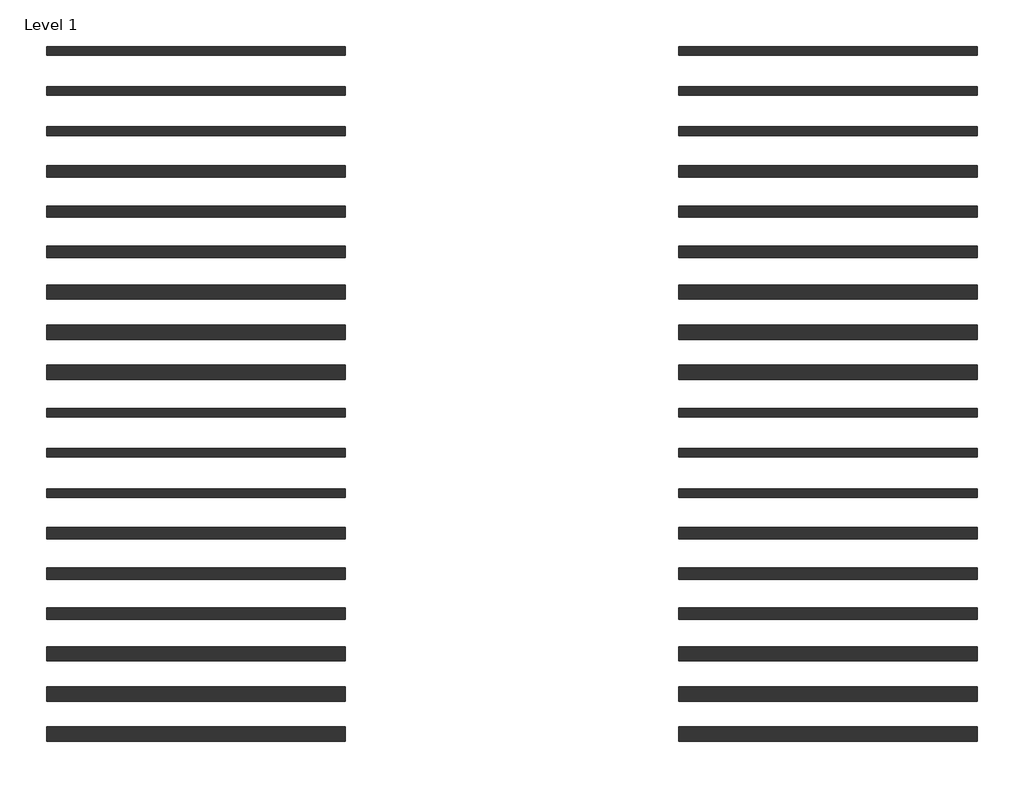
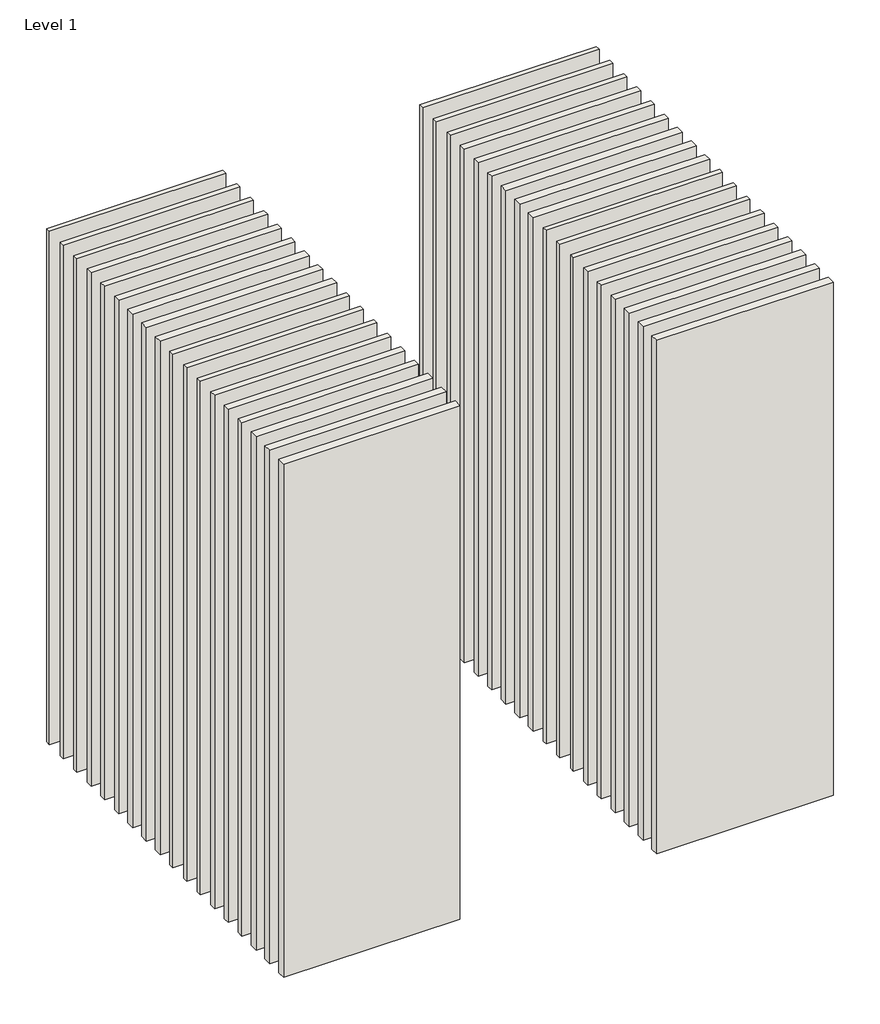
# One storey: 36 walls.
"""IFC4 building model written with IfcOpenShell, lengths in millimetres."""

from ifc_helpers import new_model, si_unit, origin, origin_with_axes, place, context, project, spatial, polyline, outline, extrude, element, save

model = new_model("IFC4")

# Units and contexts
model_context = context("Model", 3, world=origin())
ifc_project = project(units=[si_unit("LENGTHUNIT", "METRE", prefix="MILLI")], contexts=[model_context])

# Site, building, storey
site = spatial("IfcSite", under=ifc_project)
building = spatial("IfcBuilding", under=site)
storey = spatial("IfcBuildingStorey", under=building, Name="Level 1", Elevation=0.0)

# Walls
placement = place(None, origin())
element("IfcWall", 1, at=placement, inside=storey, context=model_context, shape_type="SweptSolid", body=[
    extrude(outline(polyline([(-16904.1464237, 3700.0198817), (-19504.1464237, 3700.0198817), (-19504.1464237, 3775.0198817), (-16904.1464237, 3775.0198817), (-16904.1464237, 3700.0198817)])), origin_with_axes(), (0.0, 0.0, 1.0), 8000.0),
])
element("IfcWall", 2, at=placement, inside=storey, context=model_context, shape_type="SweptSolid", body=[
    extrude(outline(polyline([(-16904.1464237, 3350.0198817), (-19504.1464237, 3350.0198817), (-19504.1464237, 3425.0198817), (-16904.1464237, 3425.0198817), (-16904.1464237, 3350.0198817)])), origin_with_axes(), (0.0, 0.0, 1.0), 8000.0),
])
element("IfcWall", 3, at=placement, inside=storey, context=model_context, shape_type="SweptSolid", body=[
    extrude(outline(polyline([(-16904.1464237, 3000.0198817), (-19504.1464237, 3000.0198817), (-19504.1464237, 3075.0198817), (-16904.1464237, 3075.0198817), (-16904.1464237, 3000.0198817)])), origin_with_axes(), (0.0, 0.0, 1.0), 8000.0),
])
element("IfcWall", 4, at=placement, inside=storey, context=model_context, shape_type="SweptSolid", body=[
    extrude(outline(polyline([(-16904.1464237, 2637.5198817), (-19504.1464237, 2637.5198817), (-19504.1464237, 2737.5198817), (-16904.1464237, 2737.5198817), (-16904.1464237, 2637.5198817)])), origin_with_axes(), (0.0, 0.0, 1.0), 8000.0),
])
element("IfcWall", 5, at=placement, inside=storey, context=model_context, shape_type="SweptSolid", body=[
    extrude(outline(polyline([(-16904.1464237, 2287.5198817), (-19504.1464237, 2287.5198817), (-19504.1464237, 2387.5198817), (-16904.1464237, 2387.5198817), (-16904.1464237, 2287.5198817)])), origin_with_axes(), (0.0, 0.0, 1.0), 8000.0),
])
element("IfcWall", 6, at=placement, inside=storey, context=model_context, shape_type="SweptSolid", body=[
    extrude(outline(polyline([(-16904.1464237, 1937.5198817), (-19504.1464237, 1937.5198817), (-19504.1464237, 2037.5198817), (-16904.1464237, 2037.5198817), (-16904.1464237, 1937.5198817)])), origin_with_axes(), (0.0, 0.0, 1.0), 8000.0),
])
element("IfcWall", 7, at=placement, inside=storey, context=model_context, shape_type="SweptSolid", body=[
    extrude(outline(polyline([(-16904.1464237, 1575.0198817), (-19504.1464237, 1575.0198817), (-19504.1464237, 1700.0198817), (-16904.1464237, 1700.0198817), (-16904.1464237, 1575.0198817)])), origin_with_axes(), (0.0, 0.0, 1.0), 8000.0),
])
element("IfcWall", 8, at=placement, inside=storey, context=model_context, shape_type="SweptSolid", body=[
    extrude(outline(polyline([(-16904.1464237, 1225.0198817), (-19504.1464237, 1225.0198817), (-19504.1464237, 1350.0198817), (-16904.1464237, 1350.0198817), (-16904.1464237, 1225.0198817)])), origin_with_axes(), (0.0, 0.0, 1.0), 8000.0),
])
element("IfcWall", 9, at=placement, inside=storey, context=model_context, shape_type="SweptSolid", body=[
    extrude(outline(polyline([(-16904.1464237, 875.0198817), (-19504.1464237, 875.0198817), (-19504.1464237, 1000.0198817), (-16904.1464237, 1000.0198817), (-16904.1464237, 875.0198817)])), origin_with_axes(), (0.0, 0.0, 1.0), 8000.0),
])
element("IfcWall", 10, at=placement, inside=storey, context=model_context, shape_type="SweptSolid", body=[
    extrude(outline(polyline([(-16904.1464237, 550.0198817), (-19504.1464237, 550.0198817), (-19504.1464237, 625.0198817), (-16904.1464237, 625.0198817), (-16904.1464237, 550.0198817)])), origin_with_axes(), (0.0, 0.0, 1.0), 8000.0),
])
element("IfcWall", 11, at=placement, inside=storey, context=model_context, shape_type="SweptSolid", body=[
    extrude(outline(polyline([(-16904.1464237, 200.0198817), (-19504.1464237, 200.0198817), (-19504.1464237, 275.0198817), (-16904.1464237, 275.0198817), (-16904.1464237, 200.0198817)])), origin_with_axes(), (0.0, 0.0, 1.0), 8000.0),
])
element("IfcWall", 12, at=placement, inside=storey, context=model_context, shape_type="SweptSolid", body=[
    extrude(outline(polyline([(-16904.1464237, -149.9801183), (-19504.1464237, -149.9801183), (-19504.1464237, -74.9801183), (-16904.1464237, -74.9801183), (-16904.1464237, -149.9801183)])), origin_with_axes(), (0.0, 0.0, 1.0), 8000.0),
])
element("IfcWall", 13, at=placement, inside=storey, context=model_context, shape_type="SweptSolid", body=[
    extrude(outline(polyline([(-16904.1464237, -512.4801183), (-19504.1464237, -512.4801183), (-19504.1464237, -412.4801183), (-16904.1464237, -412.4801183), (-16904.1464237, -512.4801183)])), origin_with_axes(), (0.0, 0.0, 1.0), 8000.0),
])
element("IfcWall", 14, at=placement, inside=storey, context=model_context, shape_type="SweptSolid", body=[
    extrude(outline(polyline([(-16904.1464237, -862.4801183), (-19504.1464237, -862.4801183), (-19504.1464237, -762.4801183), (-16904.1464237, -762.4801183), (-16904.1464237, -862.4801183)])), origin_with_axes(), (0.0, 0.0, 1.0), 8000.0),
])
element("IfcWall", 15, at=placement, inside=storey, context=model_context, shape_type="SweptSolid", body=[
    extrude(outline(polyline([(-16904.1464237, -1212.4801183), (-19504.1464237, -1212.4801183), (-19504.1464237, -1112.4801183), (-16904.1464237, -1112.4801183), (-16904.1464237, -1212.4801183)])), origin_with_axes(), (0.0, 0.0, 1.0), 8000.0),
])
element("IfcWall", 16, at=placement, inside=storey, context=model_context, shape_type="SweptSolid", body=[
    extrude(outline(polyline([(-16904.1464237, -1574.9801183), (-19504.1464237, -1574.9801183), (-19504.1464237, -1449.9801183), (-16904.1464237, -1449.9801183), (-16904.1464237, -1574.9801183)])), origin_with_axes(), (0.0, 0.0, 1.0), 8000.0),
])
element("IfcWall", 17, at=placement, inside=storey, context=model_context, shape_type="SweptSolid", body=[
    extrude(outline(polyline([(-16904.1464237, -1924.9801183), (-19504.1464237, -1924.9801183), (-19504.1464237, -1799.9801183), (-16904.1464237, -1799.9801183), (-16904.1464237, -1924.9801183)])), origin_with_axes(), (0.0, 0.0, 1.0), 8000.0),
])
element("IfcWall", 18, at=placement, inside=storey, context=model_context, shape_type="SweptSolid", body=[
    extrude(outline(polyline([(-16904.1464237, -2274.9801183), (-19504.1464237, -2274.9801183), (-19504.1464237, -2149.9801183), (-16904.1464237, -2149.9801183), (-16904.1464237, -2274.9801183)])), origin_with_axes(), (0.0, 0.0, 1.0), 8000.0),
])
element("IfcWall", 19, at=placement, inside=storey, context=model_context, shape_type="SweptSolid", body=[
    extrude(outline(polyline([(-11404.1464237, 3700.0198817), (-14004.1464237, 3700.0198817), (-14004.1464237, 3775.0198817), (-11404.1464237, 3775.0198817), (-11404.1464237, 3700.0198817)])), origin_with_axes(), (0.0, 0.0, 1.0), 8000.0),
])
element("IfcWall", 20, at=placement, inside=storey, context=model_context, shape_type="SweptSolid", body=[
    extrude(outline(polyline([(-11404.1464237, 3350.0198817), (-14004.1464237, 3350.0198817), (-14004.1464237, 3425.0198817), (-11404.1464237, 3425.0198817), (-11404.1464237, 3350.0198817)])), origin_with_axes(), (0.0, 0.0, 1.0), 8000.0),
])
element("IfcWall", 21, at=placement, inside=storey, context=model_context, shape_type="SweptSolid", body=[
    extrude(outline(polyline([(-11404.1464237, 3000.0198817), (-14004.1464237, 3000.0198817), (-14004.1464237, 3075.0198817), (-11404.1464237, 3075.0198817), (-11404.1464237, 3000.0198817)])), origin_with_axes(), (0.0, 0.0, 1.0), 8000.0),
])
element("IfcWall", 22, at=placement, inside=storey, context=model_context, shape_type="SweptSolid", body=[
    extrude(outline(polyline([(-11404.1464237, 2637.5198817), (-14004.1464237, 2637.5198817), (-14004.1464237, 2737.5198817), (-11404.1464237, 2737.5198817), (-11404.1464237, 2637.5198817)])), origin_with_axes(), (0.0, 0.0, 1.0), 8000.0),
])
element("IfcWall", 23, at=placement, inside=storey, context=model_context, shape_type="SweptSolid", body=[
    extrude(outline(polyline([(-11404.1464237, 2287.5198817), (-14004.1464237, 2287.5198817), (-14004.1464237, 2387.5198817), (-11404.1464237, 2387.5198817), (-11404.1464237, 2287.5198817)])), origin_with_axes(), (0.0, 0.0, 1.0), 8000.0),
])
element("IfcWall", 24, at=placement, inside=storey, context=model_context, shape_type="SweptSolid", body=[
    extrude(outline(polyline([(-11404.1464237, 1937.5198817), (-14004.1464237, 1937.5198817), (-14004.1464237, 2037.5198817), (-11404.1464237, 2037.5198817), (-11404.1464237, 1937.5198817)])), origin_with_axes(), (0.0, 0.0, 1.0), 8000.0),
])
element("IfcWall", 25, at=placement, inside=storey, context=model_context, shape_type="SweptSolid", body=[
    extrude(outline(polyline([(-11404.1464237, 1575.0198817), (-14004.1464237, 1575.0198817), (-14004.1464237, 1700.0198817), (-11404.1464237, 1700.0198817), (-11404.1464237, 1575.0198817)])), origin_with_axes(), (0.0, 0.0, 1.0), 8000.0),
])
element("IfcWall", 26, at=placement, inside=storey, context=model_context, shape_type="SweptSolid", body=[
    extrude(outline(polyline([(-11404.1464237, 1225.0198817), (-14004.1464237, 1225.0198817), (-14004.1464237, 1350.0198817), (-11404.1464237, 1350.0198817), (-11404.1464237, 1225.0198817)])), origin_with_axes(), (0.0, 0.0, 1.0), 8000.0),
])
element("IfcWall", 27, at=placement, inside=storey, context=model_context, shape_type="SweptSolid", body=[
    extrude(outline(polyline([(-11404.1464237, 875.0198817), (-14004.1464237, 875.0198817), (-14004.1464237, 1000.0198817), (-11404.1464237, 1000.0198817), (-11404.1464237, 875.0198817)])), origin_with_axes(), (0.0, 0.0, 1.0), 8000.0),
])
element("IfcWall", 28, at=placement, inside=storey, context=model_context, shape_type="SweptSolid", body=[
    extrude(outline(polyline([(-11404.1464237, 550.0198817), (-14004.1464237, 550.0198817), (-14004.1464237, 625.0198817), (-11404.1464237, 625.0198817), (-11404.1464237, 550.0198817)])), origin_with_axes(), (0.0, 0.0, 1.0), 8000.0),
])
element("IfcWall", 29, at=placement, inside=storey, context=model_context, shape_type="SweptSolid", body=[
    extrude(outline(polyline([(-11404.1464237, 200.0198817), (-14004.1464237, 200.0198817), (-14004.1464237, 275.0198817), (-11404.1464237, 275.0198817), (-11404.1464237, 200.0198817)])), origin_with_axes(), (0.0, 0.0, 1.0), 8000.0),
])
element("IfcWall", 30, at=placement, inside=storey, context=model_context, shape_type="SweptSolid", body=[
    extrude(outline(polyline([(-11404.1464237, -149.9801183), (-14004.1464237, -149.9801183), (-14004.1464237, -74.9801183), (-11404.1464237, -74.9801183), (-11404.1464237, -149.9801183)])), origin_with_axes(), (0.0, 0.0, 1.0), 8000.0),
])
element("IfcWall", 31, at=placement, inside=storey, context=model_context, shape_type="SweptSolid", body=[
    extrude(outline(polyline([(-11404.1464237, -512.4801183), (-14004.1464237, -512.4801183), (-14004.1464237, -412.4801183), (-11404.1464237, -412.4801183), (-11404.1464237, -512.4801183)])), origin_with_axes(), (0.0, 0.0, 1.0), 8000.0),
])
element("IfcWall", 32, at=placement, inside=storey, context=model_context, shape_type="SweptSolid", body=[
    extrude(outline(polyline([(-11404.1464237, -862.4801183), (-14004.1464237, -862.4801183), (-14004.1464237, -762.4801183), (-11404.1464237, -762.4801183), (-11404.1464237, -862.4801183)])), origin_with_axes(), (0.0, 0.0, 1.0), 8000.0),
])
element("IfcWall", 33, at=placement, inside=storey, context=model_context, shape_type="SweptSolid", body=[
    extrude(outline(polyline([(-11404.1464237, -1212.4801183), (-14004.1464237, -1212.4801183), (-14004.1464237, -1112.4801183), (-11404.1464237, -1112.4801183), (-11404.1464237, -1212.4801183)])), origin_with_axes(), (0.0, 0.0, 1.0), 8000.0),
])
element("IfcWall", 34, at=placement, inside=storey, context=model_context, shape_type="SweptSolid", body=[
    extrude(outline(polyline([(-11404.1464237, -1574.9801183), (-14004.1464237, -1574.9801183), (-14004.1464237, -1449.9801183), (-11404.1464237, -1449.9801183), (-11404.1464237, -1574.9801183)])), origin_with_axes(), (0.0, 0.0, 1.0), 8000.0),
])
element("IfcWall", 35, at=placement, inside=storey, context=model_context, shape_type="SweptSolid", body=[
    extrude(outline(polyline([(-11404.1464237, -1924.9801183), (-14004.1464237, -1924.9801183), (-14004.1464237, -1799.9801183), (-11404.1464237, -1799.9801183), (-11404.1464237, -1924.9801183)])), origin_with_axes(), (0.0, 0.0, 1.0), 8000.0),
])
element("IfcWall", 36, at=placement, inside=storey, context=model_context, shape_type="SweptSolid", body=[
    extrude(outline(polyline([(-11404.1464237, -2274.9801183), (-14004.1464237, -2274.9801183), (-14004.1464237, -2149.9801183), (-11404.1464237, -2149.9801183), (-11404.1464237, -2274.9801183)])), origin_with_axes(), (0.0, 0.0, 1.0), 8000.0),
])

save(model, "model.ifc")
